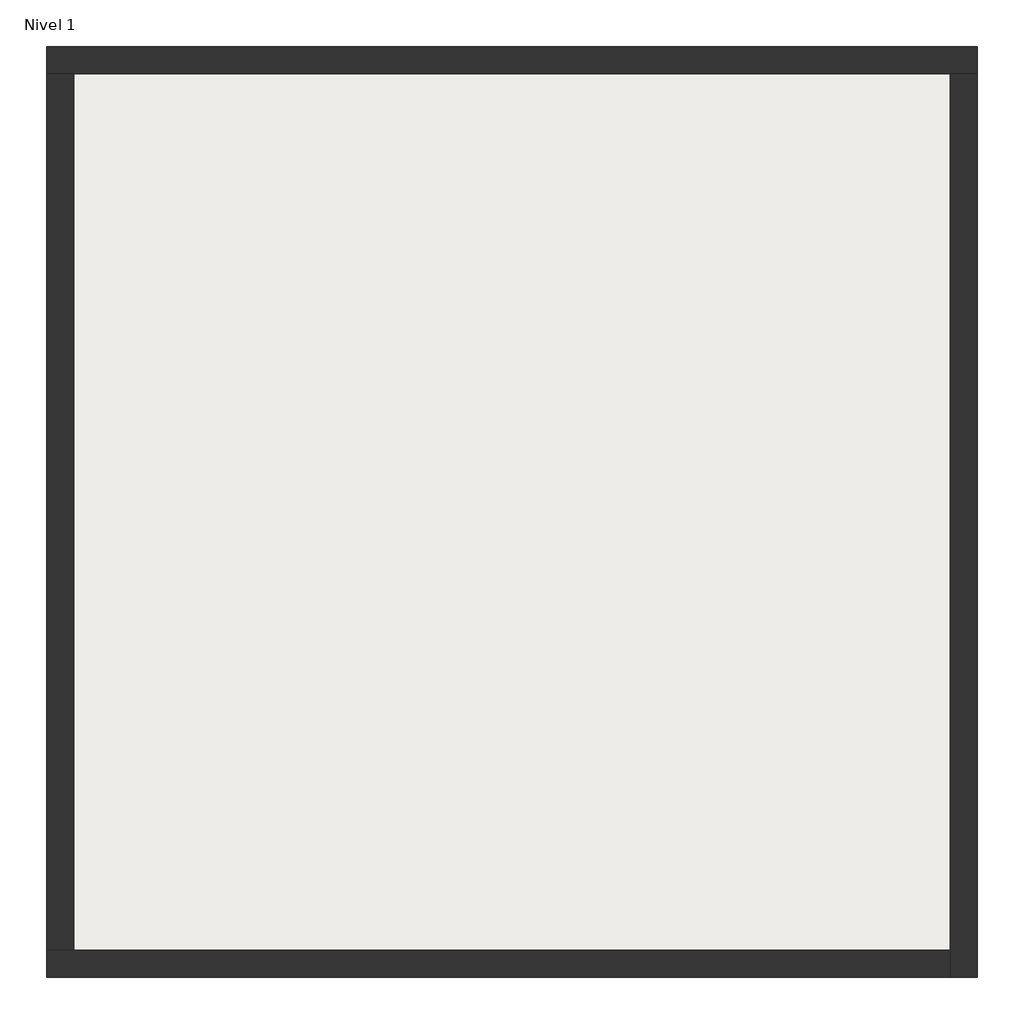
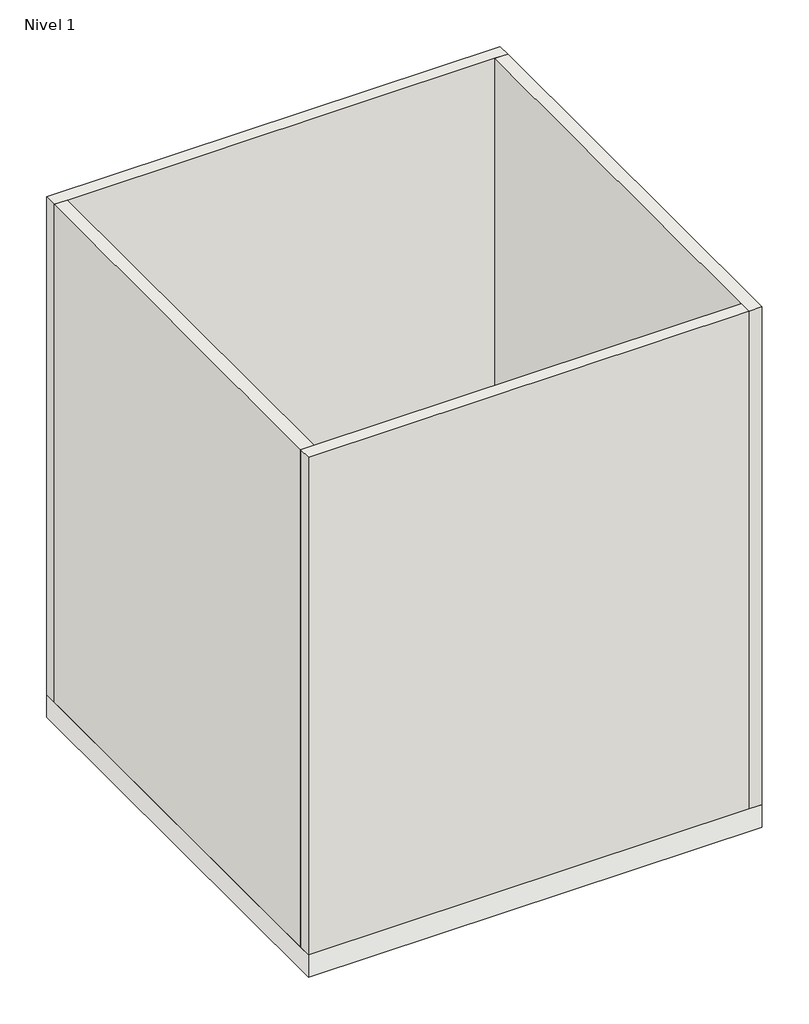
# One storey: 4 walls, 1 slab.
"""IFC4 building model written with IfcOpenShell, lengths in millimetres."""

from ifc_helpers import new_model, si_unit, origin, origin_with_axes, place, context, project, spatial, polyline, outline, extrude, faceted_brep, element, save

model = new_model("IFC4")

# Units and contexts
model_context = context("Model", 3, world=origin())
ifc_project = project(units=[si_unit("LENGTHUNIT", "METRE", prefix="MILLI")], contexts=[model_context])

# Site, building, storey
site = spatial("IfcSite", under=ifc_project)
building = spatial("IfcBuilding", under=site)
storey = spatial("IfcBuildingStorey", under=building, Name="Nivel 1", Elevation=0.0)

# Slab
placement = place(None, origin())
element("IfcSlab", 1, at=placement, inside=storey, context=model_context, shape_type="Brep", body=[
    faceted_brep([(-3172.370856, -405.129008, -362.0), (-3172.370856, 6494.870992, -362.0), (3727.629144, 6494.870992, -362.0), (3727.629144, -405.129008, -362.0), (-3172.370856, -405.129008, 0.0), (3527.629144, -405.129008, 0.0), (3727.629144, -405.129008, 0.0), (3727.629144, 6294.870992, 0.0), (3727.629144, 6494.870992, 0.0), (-3172.370856, 6494.870992, 0.0), (-3172.370856, 6294.870992, 0.0), (-3172.370856, -205.129008, 0.0)], [[[0, 1, 2, 3]], [[4, 5, 6, 7, 8, 9, 10, 11]], [[1, 0, 4, 11, 10, 9]], [[2, 1, 9, 8]], [[3, 2, 8, 7, 6]], [[0, 3, 6, 5, 4]]]),
])

# Walls
element("IfcWall", 2, at=placement, inside=storey, context=model_context, shape_type="Brep", body=[
    faceted_brep([(-3172.370856, 6294.870992, 0.0), (-2972.370856, 6294.870992, 0.0), (3527.629144, 6294.870992, 0.0), (3727.629144, 6294.870992, 0.0), (3727.629144, 6294.870992, 8000.0), (3527.629144, 6294.870992, 8000.0), (-2972.370856, 6294.870992, 8000.0), (-3172.370856, 6294.870992, 8000.0), (-3172.370856, 6494.870992, 0.0), (-3172.370856, 6494.870992, 8000.0), (3727.629144, 6494.870992, 8000.0), (3727.629144, 6494.870992, 0.0)], [[[0, 1, 2, 3, 4, 5, 6, 7]], [[8, 9, 10, 11]], [[3, 2, 1, 0, 8, 11]], [[7, 6, 5, 4, 10, 9]], [[4, 3, 11, 10]], [[0, 7, 9, 8]]]),
])
element("IfcWall", 3, at=placement, inside=storey, context=model_context, shape_type="Brep", body=[
    faceted_brep([(3527.629144, 6294.870992, 0.0), (3527.629144, -205.129008, 0.0), (3527.629144, -405.129008, 0.0), (3527.629144, -405.129008, 8000.0), (3527.629144, -205.129008, 8000.0), (3527.629144, 6294.870992, 8000.0), (3727.629144, 6294.870992, 0.0), (3727.629144, 6294.870992, 8000.0), (3727.629144, -405.129008, 8000.0), (3727.629144, -405.129008, 0.0)], [[[0, 1, 2, 3, 4, 5]], [[6, 7, 8, 9]], [[2, 1, 0, 6, 9]], [[5, 4, 3, 8, 7]], [[0, 5, 7, 6]], [[3, 2, 9, 8]]]),
])
element("IfcWall", 4, at=placement, inside=storey, context=model_context, shape_type="Brep", body=[
    faceted_brep([(3527.629144, -205.129008, 0.0), (-2972.370856, -205.129008, 0.0), (-3172.370856, -205.129008, 0.0), (-3172.370856, -205.129008, 8000.0), (-2972.370856, -205.129008, 8000.0), (3527.629144, -205.129008, 8000.0), (3527.629144, -405.129008, 0.0), (3527.629144, -405.129008, 8000.0), (-3172.370856, -405.129008, 8000.0), (-3172.370856, -405.129008, 0.0)], [[[0, 1, 2, 3, 4, 5]], [[6, 7, 8, 9]], [[2, 1, 0, 6, 9]], [[5, 4, 3, 8, 7]], [[0, 5, 7, 6]], [[3, 2, 9, 8]]]),
])
element("IfcWall", 5, at=placement, inside=storey, context=model_context, shape_type="SweptSolid", body=[
    extrude(outline(polyline([(-2972.370856, 6294.870992), (-2972.370856, -205.129008), (-3172.370856, -205.129008), (-3172.370856, 6294.870992), (-2972.370856, 6294.870992)])), origin_with_axes(), (0.0, 0.0, 1.0), 8000.0),
])

save(model, "model.ifc")
